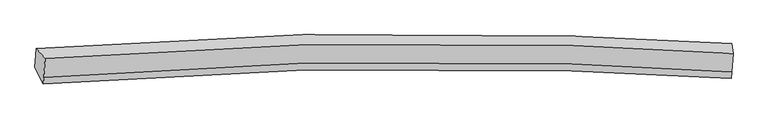
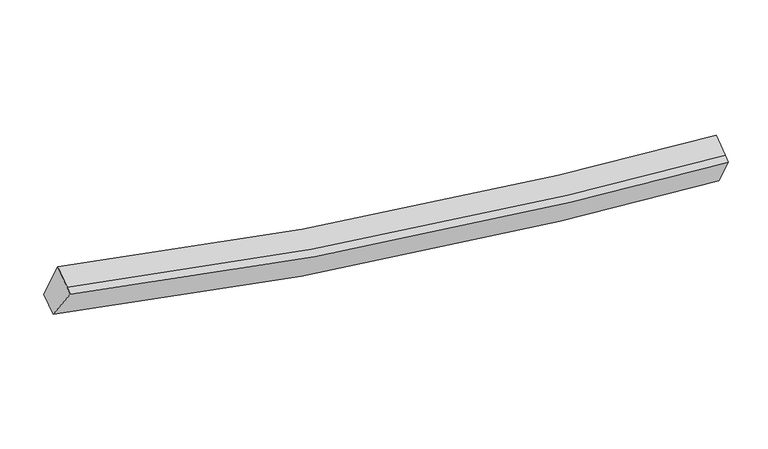
"""IFC4 building model written with IfcOpenShell, lengths in millimetres: proxy geometry."""

import ifcopenshell
import ifcopenshell.guid

model = None  # the IFC model being written
_history = None  # IfcOwnerHistory: only IFC2X3 demands one
_inside = {}  # id of a spatial element -> (the spatial element, [elements in it])
_under = {}  # id of a project, library or spatial element -> (it, [spatial elements below it])
_declared = {}  # id of a project -> (the project, [libraries it declares])
_typed = {}  # id of a type object -> (the type object, [elements of that type])
_made_of = {}  # id of a material, layer set ... -> (it, [elements and type objects made of it])


def new_model(schema):
    """Start an empty IFC model of exactly this schema.

    Asked for "IFC4X3", IfcOpenShell would pick the latest addendum, in which some entities
    have other attributes; the version numbers below select the first issue.
    IFC2X3 requires an IfcOwnerHistory on every rooted entity: one is made here for all.
    """
    global model, _history
    if schema == "IFC4X3":
        model = ifcopenshell.file(schema_version=(4, 3, 0, 0))
    else:
        model = ifcopenshell.file(schema=schema)
    _inside.clear()
    _under.clear()
    _declared.clear()
    _typed.clear()
    _made_of.clear()
    _history = None
    if model.schema == "IFC2X3":
        org = make("IfcOrganization", Name="unknown")
        user = make(
            "IfcPersonAndOrganization",
            ThePerson=make("IfcPerson", FamilyName="unknown"),
            TheOrganization=org,
        )
        app = make(
            "IfcApplication",
            ApplicationDeveloper=org,
            Version="unknown",
            ApplicationFullName="unknown",
            ApplicationIdentifier="unknown",
        )
        _history = make(
            "IfcOwnerHistory",
            OwningUser=user,
            OwningApplication=app,
            ChangeAction="ADDED",
            CreationDate=0,
        )
    return model


def make(cls, **values):
    """One entity of the class cls with the attributes given. An attribute that is None is left unset."""
    return model.create_entity(
        cls, **{name: value for name, value in values.items() if value is not None}
    )


def rooted(cls, **values):
    """An entity with a GlobalId (a new one), such as an element, a storey or a relation."""
    return make(cls, GlobalId=ifcopenshell.guid.new(), OwnerHistory=_history, **values)


def si_unit(unit_type, name, prefix=None):
    """IfcSIUnit, for example si_unit("LENGTHUNIT", "METRE", prefix="MILLI")."""
    return make("IfcSIUnit", UnitType=unit_type, Prefix=prefix, Name=name)


def assignment(units):
    """IfcUnitAssignment: the units of a project."""
    return None if units is None else make("IfcUnitAssignment", Units=units)


def point(xyz):
    """IfcCartesianPoint."""
    return None if xyz is None else make("IfcCartesianPoint", Coordinates=xyz)


def direction(xyz):
    """IfcDirection."""
    return None if xyz is None else make("IfcDirection", DirectionRatios=xyz)


def frame(location, z_axis=None, x_axis=None):
    """IfcAxis2Placement3D, a coordinate frame: its origin and axes. An axis left out is left unset."""
    return make(
        "IfcAxis2Placement3D",
        Location=point(location),
        Axis=direction(z_axis),
        RefDirection=direction(x_axis),
    )


def origin():
    """The frame at (0, 0, 0) with its axes left unset."""
    return frame((0.0, 0.0, 0.0))


def place(relative_to, where):
    """IfcLocalPlacement: puts the frame where relative to a parent placement (None: the world)."""
    return make(
        "IfcLocalPlacement", PlacementRelTo=relative_to, RelativePlacement=where
    )


def context(
    kind, dimensions, precision=None, world=None, true_north=None, identifier=None
):
    """IfcGeometricRepresentationContext, for example the 3D "Model" context."""
    return make(
        "IfcGeometricRepresentationContext",
        ContextIdentifier=identifier,
        ContextType=kind,
        CoordinateSpaceDimension=dimensions,
        Precision=precision,
        WorldCoordinateSystem=world,
        TrueNorth=true_north,
    )


def project(units=None, contexts=None):
    """IfcProject with its units and contexts."""
    return rooted(
        "IfcProject",
        Name="project",
        RepresentationContexts=contexts,
        UnitsInContext=assignment(units),
    )


def spatial(cls, under=None, at=None, **own):
    """A site, building, storey or space (cls), placed at a placement, below another one or the project."""
    s = rooted(cls, ObjectPlacement=at, **own)
    if under is not None:
        _under.setdefault(under.id(), (under, []))[1].append(s)
    return s


def shape(context_of_items, identifier, shape_type, items):
    """IfcShapeRepresentation: the items that make up one representation, for example the "Body"."""
    return make(
        "IfcShapeRepresentation",
        ContextOfItems=context_of_items,
        RepresentationIdentifier=identifier,
        RepresentationType=shape_type,
        Items=items,
    )


def source(mapping_origin, context_of_items, identifier, shape_type, items):
    """IfcRepresentationMap: a shape defined once, which mapped items show again and again."""
    return make(
        "IfcRepresentationMap",
        MappingOrigin=mapping_origin,
        MappedRepresentation=shape(context_of_items, identifier, shape_type, items),
    )


def transform(
    local_origin,
    x_axis=None,
    y_axis=None,
    z_axis=None,
    scale=None,
    scale2=None,
    scale3=None,
    uniform=True,
):
    """IfcCartesianTransformationOperator3D, or its non-uniform kind. x_axis, y_axis, z_axis: its Axis1, 2, 3."""
    if uniform:
        return make(
            "IfcCartesianTransformationOperator3D",
            Axis1=direction(x_axis),
            Axis2=direction(y_axis),
            LocalOrigin=point(local_origin),
            Scale=scale,
            Axis3=direction(z_axis),
        )
    return make(
        "IfcCartesianTransformationOperator3DnonUniform",
        Axis1=direction(x_axis),
        Axis2=direction(y_axis),
        LocalOrigin=point(local_origin),
        Scale=scale,
        Axis3=direction(z_axis),
        Scale2=scale2,
        Scale3=scale3,
    )


def mapped(mapping_source, mapping_target):
    """IfcMappedItem: shows the shape of a source again, moved by a transform."""
    return make(
        "IfcMappedItem", MappingSource=mapping_source, MappingTarget=mapping_target
    )


def made_of(thing, what):
    """Note that an element or type object is made of a material, layer set ...; save() writes the relation."""
    if what is not None:
        _made_of.setdefault(what.id(), (what, []))[1].append(thing)
    return thing


def element(
    cls,
    number,
    at=None,
    inside=None,
    cuts=None,
    type_object=None,
    material=None,
    context=None,
    identifier="Body",
    shape_type=None,
    held_by="IfcProductDefinitionShape",
    body=None,
    shapes=None,
    **own,
):
    """One element of the class cls, such as IfcWall. Its Tag is "e" and its number.

    at: its placement. inside: the storey or other place that contains it. cuts: it is an
    opening in that element (IfcRelVoidsElement). A single representation is given by context,
    identifier, shape_type and body (its items); several are given by shapes. held_by: the class
    of the entity that holds the representations. save() writes the other relations.
    """
    e = rooted(cls, Tag="e%d" % number, ObjectPlacement=at, **own)
    if body is not None:
        shapes = [shape(context, identifier, shape_type, body)]
    if shapes is not None:
        e.Representation = make(held_by, Representations=shapes)
    if inside is not None:
        _inside.setdefault(inside.id(), (inside, []))[1].append(e)
    if cuts is not None:
        rooted(
            "IfcRelVoidsElement", RelatingBuildingElement=cuts, RelatedOpeningElement=e
        )
    if type_object is not None:
        _typed.setdefault(type_object.id(), (type_object, []))[1].append(e)
    return made_of(e, material)


def aggregate(whole, parts):
    """IfcRelAggregates: a whole, such as a stair, and the parts it consists of."""
    return rooted("IfcRelAggregates", RelatingObject=whole, RelatedObjects=parts)


def save(model, path):
    """Write the relations noted so far, then the file.

    IfcRelAggregates (storeys below a building ...), IfcRelContainedInSpatialStructure (elements
    in a storey), IfcRelDefinesByType, IfcRelAssociatesMaterial and IfcRelDeclares: one each for
    every whole, place, type object, material and project.
    """
    for whole, parts in _under.values():
        aggregate(whole, parts)
    for where, things in _inside.values():
        rooted(
            "IfcRelContainedInSpatialStructure",
            RelatedElements=things,
            RelatingStructure=where,
        )
    for kind, things in _typed.values():
        rooted("IfcRelDefinesByType", RelatedObjects=things, RelatingType=kind)
    for what, things in _made_of.values():
        rooted("IfcRelAssociatesMaterial", RelatedObjects=things, RelatingMaterial=what)
    for by, libraries in _declared.values():
        rooted("IfcRelDeclares", RelatingContext=by, RelatedDefinitions=libraries)
    model.write(path)


def plane_surface(at):
    """IfcPlane: the flat surface through the origin of the frame at, square to its z axis."""
    return make("IfcPlane", Position=at)


def spline_curve(degree, points, multiplicities, knots, weights=None):
    """IfcBSplineCurveWithKnots; with weights, IfcRationalBSplineCurveWithKnots."""
    own = dict(
        Degree=degree,
        ControlPointsList=[point(p) for p in points],
        CurveForm="UNSPECIFIED",
        ClosedCurve=False,
        SelfIntersect=False,
        KnotMultiplicities=multiplicities,
        Knots=knots,
        KnotSpec="UNSPECIFIED",
    )
    if weights is None:
        return make("IfcBSplineCurveWithKnots", **own)
    return make("IfcRationalBSplineCurveWithKnots", WeightsData=weights, **own)


def spline_surface(u_degree, v_degree, points, u_multiplicities, v_multiplicities, u_knots, v_knots, weights=None):
    """IfcBSplineSurfaceWithKnots; with weights, IfcRationalBSplineSurfaceWithKnots. points: one row for each step in u."""
    own = dict(
        UDegree=u_degree,
        VDegree=v_degree,
        ControlPointsList=[[point(p) for p in row] for row in points],
        SurfaceForm="UNSPECIFIED",
        UClosed=False,
        VClosed=False,
        SelfIntersect=False,
        UMultiplicities=u_multiplicities,
        VMultiplicities=v_multiplicities,
        UKnots=u_knots,
        VKnots=v_knots,
        KnotSpec="UNSPECIFIED",
    )
    if weights is None:
        return make("IfcBSplineSurfaceWithKnots", **own)
    return make("IfcRationalBSplineSurfaceWithKnots", WeightsData=weights, **own)


def advanced_brep(points, edges, surfaces, faces):
    """IfcAdvancedBrep: a solid bounded by faces that lie on surfaces and meet in shared edges.

    An edge is (start, end): straight between two places in points (the first is 0);
    or (start, end, curve); or (start, end, curve, False) where it runs against its curve.
    A face is (place in surfaces, loops), or (place, loops, False) where it looks against
    its surface's normal. A loop lists edges by number (the first is 1), with a minus sign
    where the edge is run from its end to its start. The first loop is the outer one.
    """
    corners = [point(p) for p in points]
    vertices = [make("IfcVertexPoint", VertexGeometry=c) for c in corners]
    made = []
    for start, end, *more in edges:
        made.append(
            make(
                "IfcEdgeCurve",
                EdgeStart=vertices[start],
                EdgeEnd=vertices[end],
                EdgeGeometry=more[0] if more else make("IfcPolyline", Points=[corners[start], corners[end]]),
                SameSense=more[1] if len(more) > 1 else True,
            )
        )
    hull = []
    for where, loops, *sense in faces:
        bounds = []
        for j, loop in enumerate(loops):
            ring = [make("IfcOrientedEdge", EdgeElement=made[abs(k) - 1], Orientation=k > 0) for k in loop]
            bounds.append(
                make(
                    "IfcFaceOuterBound" if j == 0 else "IfcFaceBound",
                    Bound=make("IfcEdgeLoop", EdgeList=ring),
                    Orientation=True,
                )
            )
        hull.append(make("IfcAdvancedFace", Bounds=bounds, FaceSurface=surfaces[where], SameSense=sense[0] if sense else True))
    return make("IfcAdvancedBrep", Outer=make("IfcClosedShell", CfsFaces=hull))


def generic_models_b1086075(model_context):
    return source(origin(), model_context, "Body", "AdvancedBrep", [
        advanced_brep(
        [(-7957.9858991, -1849.4473934, 4203.6432521), (-7776.6362831, -2046.556598, 4869.2853586), (6250.9003027, -1945.198683, 2850.1356393), (6227.154809, -1746.4376501, 2161.1150743), (-7804.252599, -2437.2569916, 4655.5067125), (6223.7018507, -2329.9873681, 2639.5916894), (-7813.5360538, -2568.5941858, 4583.6432386), (6214.7278444, -2456.9466558, 2570.1236646), (-7985.1355109, -2233.5451146, 3993.4773753), (6200.7325097, -2120.2457563, 1956.5793428)],
        [
            (0, 1),
            (1, 2, spline_curve(3, [(-7776.6362831, -2046.556598, 4869.2853586), (-4228.015750943, -1756.692048739, 3889.30822206), (-637.570957201, -1670.118601695, 3264.831792137), (4076.38964408, -1821.594832534, 2915.754962433), (5161.790377892, -1874.382308161, 2867.181486366), (6250.9003027, -1945.198683, 2850.1356393)], [4, 2, 4], [0.0, 36.12557070005381, 46.88378374040836])),
            (2, 3),
            (3, 0, spline_curve(3, [(6227.154809, -1746.4376501, 2161.1150743), (5131.268182161, -1675.205255163, 2178.276032811), (4037.879579753, -1622.126214102, 2227.348533047), (-716.169974435, -1469.921720259, 2580.273158642), (-4351.161609155, -1557.337342486, 3212.043383918), (-7957.9858991, -1849.4473934, 4203.6432521)], [4, 2, 4], [0.0, 10.758213040354555, 46.88378374040836])),
            (1, 4),
            (4, 5, spline_curve(3, [(-7804.252599, -2437.2569916, 4655.5067125), (-4254.643901895, -2133.412420938, 3683.178992669), (-663.889658777, -2042.461067348, 3061.098011899), (4049.59170511, -2200.717278785, 2708.311395504), (5134.822278545, -2255.912091282, 2658.420702332), (6223.7018507, -2329.9873681, 2639.5916894)], [4, 2, 4], [0.0, 35.92411667824551, 46.62233661004976])),
            (5, 2),
            (4, 6),
            (6, 7, spline_curve(3, [(-7813.5360538, -2568.5941858, 4583.6432386), (-4265.093289065, -2281.244579644, 3602.29000646), (-674.545344413, -2193.211830745, 2978.612059742), (4039.913696503, -2337.636400724, 2633.393670734), (5125.453718838, -2388.45330687, 2585.898426581), (6214.7278444, -2456.9466558, 2570.1236646)], [4, 2, 4], [0.0, 35.924088035505825, 46.62229943748786])),
            (7, 5),
            (6, 8),
            (8, 9, spline_curve(3, [(-7985.1355109, -2233.5451146, 3993.4773753), (-4378.488987268, -1943.950006512, 3000.501411962), (-743.394204341, -1855.075081879, 2369.52966938), (4011.15379155, -2000.227915939, 2020.463484569), (5104.681681843, -2051.336387582, 1972.469216486), (6200.7325097, -2120.2457563, 1956.5793428)], [4, 2, 4], [0.0, 36.125546689400295, 46.88375257937021])),
            (9, 7),
            (8, 0),
            (3, 9),
        ],
        [
            spline_surface(3, 3, [[(-7957.9858991, -1849.4473934, 4203.6432521), (-4351.161608895, -1557.337342282, 3212.043383823), (-716.169975012, -1469.921720051, 2580.273158141), (4037.879579924, -1622.126214164, 2227.348533197), (5131.268182048, -1675.205255306, 2178.276032958), (6227.154809, -1746.4376501, 2161.1150743)], [(-7897.536027086, -1915.15046159, 4425.523954263), (-4310.112989666, -1623.788911164, 3437.798330012), (-689.970302254, -1536.654013946, 2808.459369472), (4050.716267931, -1688.615753611, 2456.817342931), (5141.442247375, -1741.597606219, 2407.911184054), (6235.069973563, -1812.691327729, 2390.788595976)], [(-7837.086155114, -1980.85352981, 4647.404656437), (-4269.06437048, -1690.240480077, 3663.55327621), (-663.770629498, -1603.386307856, 3036.645580829), (4063.552955936, -1755.105293071, 2686.286152691), (5151.616312714, -1807.989957144, 2637.546335122), (6242.985138137, -1878.945005371, 2620.462117624)], [(-7776.6362831, -2046.556598, 4869.2853586), (-4228.015751251, -1756.69204896, 3889.308222399), (-637.57095674, -1670.118601751, 3264.83179216), (4076.389643943, -1821.594832518, 2915.754962426), (5161.790378042, -1874.382308057, 2867.181486218), (6250.9003027, -1945.198683, 2850.1356393)]], [4, 4], [4, 2, 4], [0.0, 2.3507259221386], [0.0, 36.12557070005381, 46.88378374040836]),
            spline_surface(3, 3, [[(-7776.6362831, -2046.556598, 4869.2853586), (-4228.015751251, -1756.69204896, 3889.308222399), (-637.57095674, -1670.118601751, 3264.83179216), (4076.389643943, -1821.594832518, 2915.754962426), (5161.790378042, -1874.382308057, 2867.181486218), (6250.9003027, -1945.198683, 2850.1356393)], [(-7785.841721751, -2176.790062557, 4798.025809918), (-4236.89180136, -1882.265506238, 3820.598479303), (-646.343857351, -1794.232756872, 3196.920532108), (4067.456997657, -1947.968981275, 2846.607106794), (5152.801011586, -2001.558902465, 2797.594558225), (6241.834152034, -2073.461578033, 2779.954322663)], [(-7795.047160349, -2307.023527043, 4726.766261182), (-4245.767851414, -2007.838963446, 3751.888736155), (-655.116757989, -1918.346912043, 3129.009272011), (4058.524351343, -2074.343130083, 2777.459251117), (5143.811645129, -2128.735496873, 2728.007630242), (6232.768001366, -2201.724473067, 2709.773006037)], [(-7804.252599, -2437.2569916, 4655.5067125), (-4254.643901522, -2133.412420725, 3683.178993059), (-663.8896586, -2042.461067163, 3061.098011959), (4049.591705057, -2200.71727884, 2708.311395486), (5134.822278673, -2255.91209128, 2658.420702249), (6223.7018507, -2329.9873681, 2639.5916894)]], [4, 4], [4, 2, 4], [0.0, 1.4074452111495042], [0.0, 35.92411667824551, 46.62233661004976]),
            spline_surface(3, 3, [[(-7804.252599, -2437.2569916, 4655.5067125), (-4254.643901522, -2133.412420725, 3683.178993059), (-663.8896586, -2042.461067163, 3061.098011959), (4049.591705057, -2200.71727884, 2708.311395486), (5134.822278673, -2255.91209128, 2658.420702249), (6223.7018507, -2329.9873681, 2639.5916894)], [(-7807.347083939, -2481.036056336, 4631.552221192), (-4258.127030516, -2182.689807013, 3656.215997648), (-667.441553926, -2092.711321557, 3033.602694519), (4046.36570222, -2246.356986198, 2683.338820584), (5131.699425334, -2300.09249648, 2634.246610391), (6220.710515259, -2372.307130678, 2616.435681135)], [(-7810.441568861, -2524.815121064, 4607.597729908), (-4261.610159493, -2231.967193295, 3629.253002263), (-670.993449246, -2142.961575897, 3006.107377066), (4043.139699388, -2291.996693502, 2658.36624567), (5128.576572019, -2344.272901646, 2610.072518528), (6217.719179841, -2414.626893222, 2593.279672865)], [(-7813.5360538, -2568.5941858, 4583.6432386), (-4265.093288487, -2281.244579583, 3602.290006852), (-674.545344572, -2193.21183029, 2978.612059627), (4039.913696551, -2337.636400859, 2633.393670769), (5125.453718679, -2388.453306846, 2585.89842667), (6214.7278444, -2456.9466558, 2570.1236646)]], [4, 4], [4, 2, 4], [0.0, 0.5481851179043862], [0.0, 35.924088035505825, 46.62229943748786]),
            spline_surface(3, 3, [[(-7813.5360538, -2568.5941858, 4583.6432386), (-4265.093288487, -2281.244579583, 3602.290006852), (-674.545344572, -2193.21183029, 2978.612059627), (4039.913696551, -2337.636400859, 2633.393670769), (5125.453718679, -2388.453306846, 2585.89842667), (6214.7278444, -2456.9466558, 2570.1236646)], [(-7870.735872831, -2456.911162061, 4386.921284167), (-4302.891854732, -2168.813055151, 3401.693808395), (-697.494964347, -2080.499580845, 2775.584596026), (4030.327061527, -2225.166905864, 2429.083608765), (5118.529706335, -2276.081000384, 2381.422023304), (6210.06273282, -2344.713022621, 2365.608890655)], [(-7927.935691869, -2345.228138339, 4190.199329733), (-4340.690420986, -2056.381530737, 3201.097609935), (-720.444584169, -1967.787331434, 2572.557132408), (4020.740426455, -2112.697410902, 2224.773546743), (5111.60569403, -2163.708693957, 2176.945619975), (6205.39762128, -2232.479389479, 2161.094116745)], [(-7985.1355109, -2233.5451146, 3993.4773753), (-4378.488987231, -1943.950006305, 3000.501411477), (-743.394203944, -1855.075081989, 2369.529668807), (4011.153791432, -2000.227915906, 2020.463484739), (5104.681681685, -2051.336387495, 1972.46921661), (6200.7325097, -2120.2457563, 1956.5793428)]], [4, 4], [4, 2, 4], [0.0, 2.2931989463965654], [0.0, 36.125546689400295, 46.88375257937021]),
            spline_surface(3, 3, [[(-7985.1355109, -2233.5451146, 3993.4773753), (-4378.488987231, -1943.950006305, 3000.501411477), (-743.394203944, -1855.075081989, 2369.529668807), (4011.153791432, -2000.227915906, 2020.463484739), (5104.681681685, -2051.336387495, 1972.46921661), (6200.7325097, -2120.2457563, 1956.5793428)], [(-7976.085640293, -2105.512540857, 4063.53266756), (-4369.379861112, -1815.079118288, 3071.015402252), (-734.31946099, -1726.690628025, 2439.777498568), (4020.062387572, -1874.194015341, 2089.425167541), (5113.543848497, -1925.959343437, 2041.07148873), (6209.539942824, -1995.643054239, 2024.757919971)], [(-7967.035769707, -1977.479967143, 4133.58795984), (-4360.270735014, -1686.208230299, 3141.529393048), (-725.244717965, -1598.306174015, 2510.02532838), (4028.970983784, -1748.16011473, 2158.386850394), (5122.406015236, -1800.582299364, 2109.673760838), (6218.347375876, -1871.040352161, 2092.936497129)], [(-7957.9858991, -1849.4473934, 4203.6432521), (-4351.161608895, -1557.337342282, 3212.043383823), (-716.169975012, -1469.921720051, 2580.273158141), (4037.879579924, -1622.126214164, 2227.348533197), (5131.268182048, -1675.205255306, 2178.276032958), (6227.154809, -1746.4376501, 2161.1150743)]], [4, 4], [4, 2, 4], [0.0, 1.4387638537819403], [0.0, 36.32705131768382, 47.14526538683769]),
            plane_surface(frame((6223.3788664, -2067.2071863, 2384.4884302), z_axis=(0.9978827244353743, -0.04466721540136777, -0.047274815089250806), x_axis=(-0.019993335341001593, 0.48100128505158835, -0.8764918883370587))),
            plane_surface(frame((-7883.3234367, -2174.5358229, 4412.5123062), z_axis=(-0.9675097028107716, -0.06526623793943909, 0.2442648012961447), x_axis=(-0.061889698782406785, -0.8755812947105484, -0.47908982616793583))),
        ],
        [
            (0, [[1, 2, 3, 4]]),
            (1, [[5, 6, 7, -2]]),
            (2, [[8, 9, 10, -6]]),
            (3, [[11, 12, 13, -9]]),
            (4, [[14, -4, 15, -12]]),
            (5, [[-13, -15, -3, -7, -10]]),
            (6, [[-14, -11, -8, -5, -1]]),
        ],
    ),
    ])


if __name__ == "__main__":
    model = new_model("IFC4")
    model_context = context("Model", 3, world=origin())
    ifc_project = project(units=[si_unit("LENGTHUNIT", "METRE", prefix="MILLI")], contexts=[model_context])
    site = spatial("IfcSite", under=ifc_project)
    building = spatial("IfcBuilding", under=site)
    placement = place(None, origin())
    generic_models_shape = generic_models_b1086075(model_context)
    element("IfcBuildingElementProxy", 1, Name="Generic Models", at=placement, inside=building, context=model_context, shape_type="MappedRepresentation", body=[
        mapped(generic_models_shape, transform((0.0, 0.0, 0.0), x_axis=(1.0, 0.0, 0.0), y_axis=(0.0, 1.0, 0.0), z_axis=(0.0, 0.0, 1.0))),
    ])
    save(model, "model.ifc")
